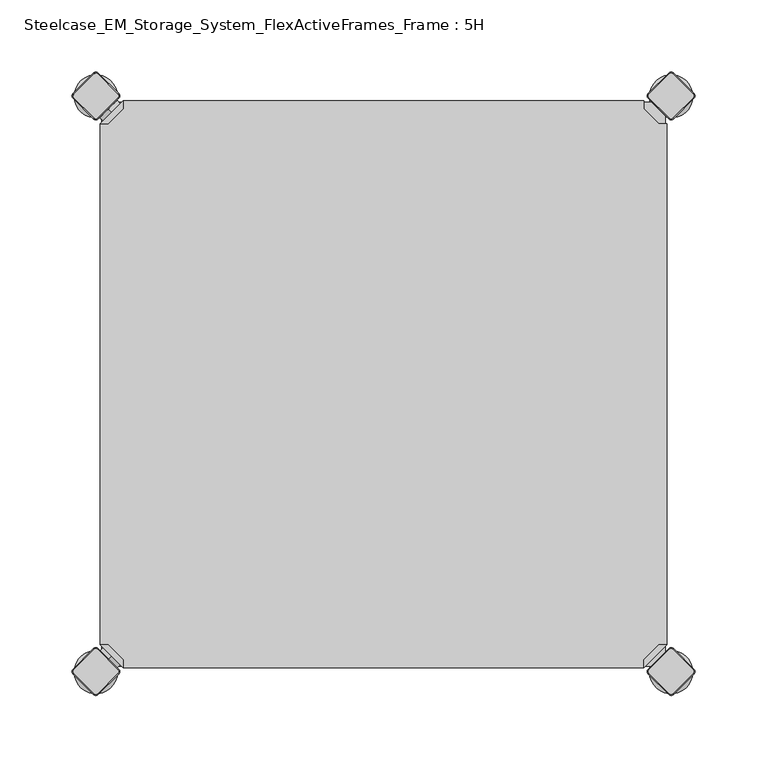
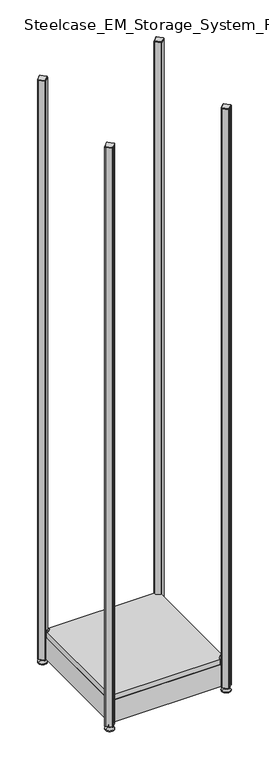
"""IFC4 building model written with IfcOpenShell, lengths in millimetres: furniture geometry, Steelcase_EM_Storage_System_FlexActiveFrames_Frame : 5H."""

from ifc_helpers import new_model, si_unit, point, frame, frame_2d, origin, place, context, project, spatial, polyline, circle_curve, trimmed, segment, composite_curve, outline, extrude, source, transform, mapped, element, save
from ifc_brep_helpers import plane_surface, cylinder_surface, revolved_surface, advanced_brep


def steelcase_em_storage_system_flexactiveframes_frame_5h_c53b9651(model_context):
    return source(origin(), model_context, "Body", "SolidModel", [
        advanced_brep(
        [(381.0796898, -397.0, 117.0), (397.0, -381.0796898, 117.0), (391.3431458, -381.0796898, 117.0), (381.0796898, -391.3431458, 117.0), (381.0796898, -397.0, 98.0), (381.0796898, -397.0, 97.0), (397.0, -381.0796898, 97.0), (397.0, -381.0796898, 98.0), (391.3431458, -381.0796898, 98.0), (381.0796898, -391.3431458, 98.0), (368.1906025, -352.2702923, 98.0), (352.2702923, -368.1906025, 98.0), (352.2702923, -368.1906025, 97.0), (368.1906025, -352.2702923, 97.0)],
        [
            (0, 1),
            (1, 2),
            (2, 3),
            (3, 0),
            (0, 4),
            (4, 5),
            (5, 6),
            (6, 7),
            (7, 1),
            (2, 8),
            (8, 9),
            (9, 3),
            (9, 4),
            (7, 8),
            (7, 10),
            (10, 11, circle_curve(frame((360.2304474, -360.2304474, 98.0), z_axis=(0.0, 0.0, 1.0), x_axis=(-1.0, 0.0, 0.0)), 11.2573593)),
            (11, 4),
            (5, 12),
            (12, 13, circle_curve(frame((360.2304474, -360.2304474, 97.0), z_axis=(0.0, 0.0, -1.0), x_axis=(-1.0, 0.0, 0.0)), 11.2573593)),
            (13, 6),
            (13, 10),
            (12, 11),
        ],
        [
            plane_surface(frame((438.8756299, -339.2040599, 117.0), z_axis=(0.0, 0.0, 1.0000000000000002), x_axis=(0.7071067811865511, 0.707106781186544, 0.0))),
            plane_surface(frame((381.0796898, -397.0, 117.0), z_axis=(0.707106781186544, -0.7071067811865511, 0.0), x_axis=(0.0, 0.0, -1.0))),
            plane_surface(frame((391.3431458, -381.0796898, 117.0), z_axis=(-0.7071067811865527, 0.7071067811865424, 0.0), x_axis=(0.0, 0.0, -1.0))),
            plane_surface(frame((381.0796898, -391.3431458, 117.0), z_axis=(-1.0, 0.0, 0.0), x_axis=(0.0, 0.0, -1.0))),
            plane_surface(frame((397.0, -381.0796898, 117.0), z_axis=(0.0, 1.0, 0.0), x_axis=(0.0, 0.0, -1.0))),
            plane_surface(frame((397.0, -381.0796898, 98.0), z_axis=(0.0, 0.0, 1.0), x_axis=(0.7071067811865439, 0.7071067811865511, 0.0))),
            plane_surface(frame((397.0, -381.0796898, 97.0), z_axis=(0.0, 0.0, -1.0), x_axis=(-0.7071067811865439, -0.7071067811865511, 0.0))),
            plane_surface(frame((397.0, -381.0796898, 98.0), z_axis=(0.7071067811865446, 0.7071067811865506, 0.0), x_axis=(0.0, 0.0, -1.0))),
            cylinder_surface(frame((360.2304474, -360.2304474, 97.0), z_axis=(0.0, 0.0, 1.0), x_axis=(-1.0, 0.0, 0.0)), 11.2573593),
            plane_surface(frame((352.2702923, -368.1906025, 98.0), z_axis=(-0.7071067811865435, -0.7071067811865517, 0.0), x_axis=(0.0, 0.0, -1.0))),
        ],
        [
            (0, [[1, 2, 3, 4]]),
            (1, [[-1, 5, 6, 7, 8, 9]]),
            (2, [[-3, 10, 11, 12]]),
            (3, [[-4, -12, 13, -5]]),
            (4, [[-2, -9, 14, -10]]),
            (5, [[15, 16, 17, -13, -11, -14]]),
            (6, [[18, 19, 20, -7]]),
            (7, [[-15, -8, -20, 21]]),
            (8, [[-16, -21, -19, 22]]),
            (9, [[-17, -22, -18, -6]]),
        ],
    ),
        advanced_brep(
        [(10.9601551, -389.0398449, 98.5), (10.9601551, -389.0398449, 107.0), (10.9601551, -389.0398449, 115.5), (8.8388348, -391.1611652, 98.5), (8.8388348, -391.1611652, 115.5), (8.8388348, -391.1611652, 107.0)],
        [
            (0, 1),
            (1, 2),
            (2, 0, circle_curve(frame((10.9601551, -389.0398449, 107.0), z_axis=(0.7071067811865509, 0.7071067811865441, 0.0), x_axis=(0.0, 0.0, 1.0)), 8.5)),
            (0, 2, circle_curve(frame((10.9601551, -389.0398449, 107.0), z_axis=(0.7071067811865509, 0.7071067811865441, 0.0), x_axis=(0.0, 0.0, 1.0)), 8.5)),
            (3, 0),
            (2, 4),
            (4, 3, circle_curve(frame((8.8388348, -391.1611652, 107.0), z_axis=(0.7071067811865509, 0.7071067811865441, 0.0), x_axis=(0.0, 0.0, 1.0)), 8.5)),
            (3, 4, circle_curve(frame((8.8388348, -391.1611652, 107.0), z_axis=(0.7071067811865509, 0.7071067811865441, 0.0), x_axis=(0.0, 0.0, 1.0)), 8.5)),
            (5, 3),
            (4, 5),
        ],
        [
            plane_surface(frame((10.9601551, -389.0398449, 107.0), z_axis=(0.7071067811865506, 0.7071067811865446, 0.0), x_axis=(0.0, 0.0, 1.0))),
            cylinder_surface(frame((8.8388348, -391.1611652, 107.0), z_axis=(-0.7071067811865509, -0.7071067811865441, 0.0), x_axis=(0.0, 0.0, 1.0)), 8.5),
            plane_surface(frame((8.8388348, -391.1611652, 107.0), z_axis=(-0.7071067811865506, -0.7071067811865446, 0.0), x_axis=(0.0, 0.0, 1.0))),
        ],
        [
            (0, [[1, 2, 3]]),
            (0, [[-2, -1, 4]]),
            (1, [[5, -3, 6, 7]]),
            (1, [[-6, -4, -5, 8]]),
            (2, [[9, -7, 10]]),
            (2, [[-10, -8, -9]]),
        ],
    ),
        advanced_brep(
        [(18.9203102, -397.0, 117.0), (18.9203102, -391.3431458, 117.0), (8.6568542, -381.0796898, 117.0), (3.0, -381.0796898, 117.0), (3.0, -381.0796898, 98.0), (3.0, -381.0796898, 97.0), (18.9203102, -397.0, 97.0), (18.9203102, -397.0, 98.0), (18.9203102, -391.3431458, 98.0), (8.6568542, -381.0796898, 98.0), (47.7297077, -368.1906025, 98.0), (31.8093975, -352.2702923, 98.0), (31.8093975, -352.2702923, 97.0), (47.7297077, -368.1906025, 97.0)],
        [
            (0, 1),
            (1, 2),
            (2, 3),
            (3, 0),
            (3, 4),
            (4, 5),
            (5, 6),
            (6, 7),
            (7, 0),
            (1, 8),
            (8, 9),
            (9, 2),
            (7, 8),
            (9, 4),
            (7, 10),
            (10, 11, circle_curve(frame((39.7695526, -360.2304474, 98.0), z_axis=(0.0, 0.0, 1.0), x_axis=(1.0, 0.0, 0.0)), 11.2573593)),
            (11, 4),
            (5, 12),
            (12, 13, circle_curve(frame((39.7695526, -360.2304474, 97.0), z_axis=(0.0, 0.0, -1.0), x_axis=(1.0, 0.0, 0.0)), 11.2573593)),
            (13, 6),
            (11, 12),
            (10, 13),
        ],
        [
            plane_surface(frame((-38.8756299, -339.2040599, 117.0), z_axis=(0.0, 0.0, 1.0000000000000002), x_axis=(-0.7071067811865511, 0.707106781186544, 0.0))),
            plane_surface(frame((18.9203102, -397.0, 117.0), z_axis=(-0.707106781186544, -0.7071067811865511, 0.0), x_axis=(0.0, 0.0, -1.0))),
            plane_surface(frame((8.6568542, -381.0796898, 117.0), z_axis=(0.7071067811865527, 0.7071067811865424, 0.0), x_axis=(0.0, 0.0, -1.0))),
            plane_surface(frame((18.9203102, -391.3431458, 117.0), z_axis=(1.0, 0.0, 0.0), x_axis=(0.0, 0.0, -1.0))),
            plane_surface(frame((3.0, -381.0796898, 117.0), z_axis=(0.0, 1.0, 0.0), x_axis=(0.0, 0.0, -1.0))),
            plane_surface(frame((3.0, -381.0796898, 98.0), z_axis=(0.0, 0.0, 1.0), x_axis=(-0.7071067811865439, 0.7071067811865511, 0.0))),
            plane_surface(frame((3.0, -381.0796898, 97.0), z_axis=(0.0, 0.0, -1.0), x_axis=(0.7071067811865439, -0.7071067811865511, 0.0))),
            plane_surface(frame((3.0, -381.0796898, 98.0), z_axis=(-0.7071067811865446, 0.7071067811865506, 0.0), x_axis=(0.0, 0.0, -1.0))),
            cylinder_surface(frame((39.7695526, -360.2304474, 97.0), z_axis=(0.0, 0.0, 1.0), x_axis=(1.0, 0.0, 0.0)), 11.2573593),
            plane_surface(frame((47.7297077, -368.1906025, 98.0), z_axis=(0.7071067811865435, -0.7071067811865517, 0.0), x_axis=(0.0, 0.0, -1.0))),
        ],
        [
            (0, [[1, 2, 3, 4]]),
            (1, [[5, 6, 7, 8, 9, -4]]),
            (2, [[10, 11, 12, -2]]),
            (3, [[-9, 13, -10, -1]]),
            (4, [[-12, 14, -5, -3]]),
            (5, [[-14, -11, -13, 15, 16, 17]]),
            (6, [[-7, 18, 19, 20]]),
            (7, [[21, -18, -6, -17]]),
            (8, [[22, -19, -21, -16]]),
            (9, [[-8, -20, -22, -15]]),
        ],
    ),
        advanced_brep(
        [(10.9601551, -10.9601551, 98.5), (10.9601551, -10.9601551, 115.5), (10.9601551, -10.9601551, 107.0), (8.8388348, -8.8388348, 98.5), (8.8388348, -8.8388348, 115.5), (8.8388348, -8.8388348, 107.0)],
        [
            (0, 1, circle_curve(frame((10.9601551, -10.9601551, 107.0), z_axis=(0.7071067811865464, -0.7071067811865487, 0.0), x_axis=(0.0, 0.0, 1.0)), 8.5)),
            (1, 2),
            (2, 0),
            (1, 0, circle_curve(frame((10.9601551, -10.9601551, 107.0), z_axis=(0.7071067811865464, -0.7071067811865487, 0.0), x_axis=(0.0, 0.0, 1.0)), 8.5)),
            (3, 4, circle_curve(frame((8.8388348, -8.8388348, 107.0), z_axis=(0.7071067811865464, -0.7071067811865487, 0.0), x_axis=(0.0, 0.0, 1.0)), 8.5)),
            (4, 1),
            (0, 3),
            (4, 3, circle_curve(frame((8.8388348, -8.8388348, 107.0), z_axis=(0.7071067811865464, -0.7071067811865487, 0.0), x_axis=(0.0, 0.0, 1.0)), 8.5)),
            (5, 4),
            (3, 5),
        ],
        [
            plane_surface(frame((10.9601551, -10.9601551, 107.0), z_axis=(0.707106781186546, -0.7071067811865491, 0.0), x_axis=(0.0, 0.0, 1.0))),
            cylinder_surface(frame((8.8388348, -8.8388348, 107.0), z_axis=(-0.7071067811865464, 0.7071067811865487, 0.0), x_axis=(0.0, 0.0, 1.0)), 8.5),
            plane_surface(frame((8.8388348, -8.8388348, 107.0), z_axis=(-0.707106781186546, 0.7071067811865491, 0.0), x_axis=(0.0, 0.0, 1.0))),
        ],
        [
            (0, [[1, 2, 3]]),
            (0, [[4, -3, -2]]),
            (1, [[5, 6, -1, 7]]),
            (1, [[8, -7, -4, -6]]),
            (2, [[9, -5, 10]]),
            (2, [[-10, -8, -9]]),
        ],
    ),
        advanced_brep(
        [(18.9203102, -3.0, 117.0), (3.0, -18.9203102, 117.0), (8.6568542, -18.9203102, 117.0), (18.9203102, -8.6568542, 117.0), (18.9203102, -3.0, 98.0), (18.9203102, -3.0, 97.0), (3.0, -18.9203102, 97.0), (3.0, -18.9203102, 98.0), (8.6568542, -18.9203102, 98.0), (18.9203102, -8.6568542, 98.0), (31.8093975, -47.7297077, 98.0), (47.7297077, -31.8093975, 98.0), (47.7297077, -31.8093975, 97.0), (31.8093975, -47.7297077, 97.0)],
        [
            (0, 1),
            (1, 2),
            (2, 3),
            (3, 0),
            (0, 4),
            (4, 5),
            (5, 6),
            (6, 7),
            (7, 1),
            (2, 8),
            (8, 9),
            (9, 3),
            (9, 4),
            (7, 8),
            (7, 10),
            (10, 11, circle_curve(frame((39.7695526, -39.7695526, 98.0), z_axis=(0.0, 0.0, 1.0), x_axis=(1.0, 0.0, 0.0)), 11.2573593)),
            (11, 4),
            (5, 12),
            (12, 13, circle_curve(frame((39.7695526, -39.7695526, 97.0), z_axis=(0.0, 0.0, -1.0), x_axis=(1.0, 0.0, 0.0)), 11.2573593)),
            (13, 6),
            (13, 10),
            (12, 11),
        ],
        [
            plane_surface(frame((-38.8756299, -60.7959401, 117.0), z_axis=(0.0, 0.0, 1.0000000000000002), x_axis=(-0.7071067811865557, -0.7071067811865395, 0.0))),
            plane_surface(frame((18.9203102, -3.0, 117.0), z_axis=(-0.7071067811865395, 0.7071067811865557, 0.0), x_axis=(0.0, 0.0, -1.0))),
            plane_surface(frame((8.6568542, -18.9203102, 117.0), z_axis=(0.7071067811865481, -0.7071067811865469, 0.0), x_axis=(0.0, 0.0, -1.0))),
            plane_surface(frame((18.9203102, -8.6568542, 117.0), z_axis=(1.0, 0.0, 0.0), x_axis=(0.0, 0.0, -1.0))),
            plane_surface(frame((3.0, -18.9203102, 117.0), z_axis=(0.0, -1.0, 0.0), x_axis=(0.0, 0.0, -1.0))),
            plane_surface(frame((3.0, -18.9203102, 98.0), z_axis=(0.0, 0.0, 1.0), x_axis=(-0.7071067811865485, -0.7071067811865466, 0.0))),
            plane_surface(frame((3.0, -18.9203102, 97.0), z_axis=(0.0, 0.0, -1.0), x_axis=(0.7071067811865485, 0.7071067811865466, 0.0))),
            plane_surface(frame((3.0, -18.9203102, 98.0), z_axis=(-0.7071067811865491, -0.707106781186546, 0.0), x_axis=(0.0, 0.0, -1.0))),
            cylinder_surface(frame((39.7695526, -39.7695526, 97.0), z_axis=(0.0, 0.0, 1.0), x_axis=(1.0, 0.0, 0.0)), 11.2573593),
            plane_surface(frame((47.7297077, -31.8093975, 98.0), z_axis=(0.707106781186548, 0.7071067811865471, 0.0), x_axis=(0.0, 0.0, -1.0))),
        ],
        [
            (0, [[1, 2, 3, 4]]),
            (1, [[-1, 5, 6, 7, 8, 9]]),
            (2, [[-3, 10, 11, 12]]),
            (3, [[-4, -12, 13, -5]]),
            (4, [[-2, -9, 14, -10]]),
            (5, [[15, 16, 17, -13, -11, -14]]),
            (6, [[18, 19, 20, -7]]),
            (7, [[-15, -8, -20, 21]]),
            (8, [[-16, -21, -19, 22]]),
            (9, [[-17, -22, -18, -6]]),
        ],
    ),
        extrude(outline(polyline([(381.0796898, -3.0), (381.0796898, -8.6568542), (391.3431458, -18.9203102), (397.0, -18.9203102), (397.0, -381.0796898), (391.3431458, -381.0796898), (381.0796898, -391.3431458), (381.0796898, -397.0), (18.9203102, -397.0), (18.9203102, -391.3431458), (8.6568542, -381.0796898), (3.0, -381.0796898), (3.0, -18.9203102), (8.6568542, -18.9203102), (18.9203102, -8.6568542), (18.9203102, -3.0), (381.0796898, -3.0)])), frame((0.0, 0.0, 98.0), z_axis=(0.0, 0.0, 1.0), x_axis=(1.0, 0.0, 0.0)), (0.0, 0.0, 1.0), 19.0),
        advanced_brep(
        [(385.0, -400.0, 0.0), (415.0, -400.0, 0.0), (400.0, -400.0, 0.0), (385.0, -400.0, 2.0), (415.0, -400.0, 2.0), (392.0, -400.0, 9.0), (408.0, -400.0, 9.0), (396.0, -400.0, 9.0), (404.0, -400.0, 9.0), (396.0, -400.0, 15.0), (404.0, -400.0, 15.0), (400.0, -400.0, 15.0)],
        [
            (0, 1, circle_curve(frame((400.0, -400.0, 0.0), z_axis=(0.0, 0.0, -1.0), x_axis=(1.0, 0.0, 0.0)), 15.0)),
            (1, 2),
            (2, 0),
            (1, 0, circle_curve(frame((400.0, -400.0, 0.0), z_axis=(0.0, 0.0, -1.0), x_axis=(1.0, 0.0, 0.0)), 15.0)),
            (3, 4, circle_curve(frame((400.0, -400.0, 2.0), z_axis=(0.0, 0.0, -1.0), x_axis=(1.0, 0.0, 0.0)), 15.0)),
            (4, 1),
            (0, 3),
            (4, 3, circle_curve(frame((400.0, -400.0, 2.0), z_axis=(0.0, 0.0, -1.0), x_axis=(1.0, 0.0, 0.0)), 15.0)),
            (5, 6, circle_curve(frame((400.0, -400.0, 9.0), z_axis=(0.0, 0.0, -1.0), x_axis=(1.0, 0.0, 0.0)), 8.0)),
            (6, 4),
            (3, 5),
            (6, 5, circle_curve(frame((400.0, -400.0, 9.0), z_axis=(0.0, 0.0, -1.0), x_axis=(1.0, 0.0, 0.0)), 8.0)),
            (7, 8, circle_curve(frame((400.0, -400.0, 9.0), z_axis=(0.0, 0.0, -1.0), x_axis=(1.0, 0.0, 0.0)), 4.0)),
            (8, 6),
            (5, 7),
            (8, 7, circle_curve(frame((400.0, -400.0, 9.0), z_axis=(0.0, 0.0, -1.0), x_axis=(1.0, 0.0, 0.0)), 4.0)),
            (9, 10, circle_curve(frame((400.0, -400.0, 15.0), z_axis=(0.0, 0.0, -1.0), x_axis=(1.0, 0.0, 0.0)), 4.0)),
            (10, 8),
            (7, 9),
            (10, 9, circle_curve(frame((400.0, -400.0, 15.0), z_axis=(0.0, 0.0, -1.0), x_axis=(1.0, 0.0, 0.0)), 4.0)),
            (11, 10),
            (9, 11),
        ],
        [
            plane_surface(frame((400.0, -400.0, 0.0), z_axis=(0.0, 0.0, -1.0), x_axis=(1.0, 0.0, 0.0))),
            cylinder_surface(frame((400.0, -400.0, 18.6083303), z_axis=(0.0, 0.0, 1.0), x_axis=(1.0, 0.0, 0.0)), 15.0),
            revolved_surface(polyline([(415.0, -400.0, 2.0), (408.0, -400.0, 9.0)]), (400.0, -400.0, 18.6083303), (0.0, 0.0, 1.0)),
            plane_surface(frame((400.0, -400.0, 9.0), z_axis=(0.0, 0.0, 1.0), x_axis=(1.0, 0.0, 0.0))),
            cylinder_surface(frame((400.0, -400.0, 18.6083303), z_axis=(0.0, 0.0, 1.0), x_axis=(1.0, 0.0, 0.0)), 4.0),
            plane_surface(frame((400.0, -400.0, 15.0), z_axis=(0.0, 0.0, 1.0), x_axis=(1.0, 0.0, 0.0))),
        ],
        [
            (0, [[1, 2, 3]]),
            (0, [[4, -3, -2]]),
            (1, [[5, 6, -1, 7]]),
            (1, [[8, -7, -4, -6]]),
            (2, [[9, 10, -5, 11]]),
            (2, [[12, -11, -8, -10]]),
            (3, [[13, 14, -9, 15]]),
            (3, [[16, -15, -12, -14]]),
            (4, [[17, 18, -13, 19]]),
            (4, [[20, -19, -16, -18]]),
            (5, [[21, -17, 22]]),
            (5, [[-22, -20, -21]]),
        ],
    ),
        advanced_brep(
        [(398.7979185, -384.6557828, 2117.0), (384.6557828, -398.7979185, 2117.0), (384.6557828, -401.2020815, 2117.0), (398.7979185, -415.3442172, 2117.0), (401.2020815, -415.3442172, 2117.0), (415.3442172, -401.2020815, 2117.0), (415.3442172, -398.7979185, 2117.0), (401.2020815, -384.6557828, 2117.0), (398.232233, -384.0900974, 2115.0), (401.767767, -384.0900974, 2115.0), (415.9099026, -398.232233, 2115.0), (415.9099026, -401.767767, 2115.0), (401.767767, -415.9099026, 2115.0), (398.232233, -415.9099026, 2115.0), (384.0900974, -401.767767, 2115.0), (384.0900974, -398.232233, 2115.0)],
        [
            (0, 1),
            (1, 2, circle_curve(frame((385.8578644, -400.0, 2117.0), z_axis=(0.0, 0.0, 1.0), x_axis=(-0.7071067811865537, 0.7071067811865414, 0.0)), 1.7)),
            (2, 3),
            (3, 4, circle_curve(frame((400.0, -414.1421356, 2117.0), z_axis=(0.0, 0.0, 1.0), x_axis=(-0.7071067811865491, -0.707106781186546, 0.0)), 1.7)),
            (4, 5),
            (5, 6, circle_curve(frame((414.1421356, -400.0, 2117.0), z_axis=(0.0, 0.0, 1.0), x_axis=(0.707106781186539, -0.7071067811865559, 0.0)), 1.7)),
            (6, 7),
            (7, 0, circle_curve(frame((400.0, -385.8578644, 2117.0), z_axis=(0.0, 0.0, 1.0), x_axis=(0.7071067811865458, 0.7071067811865492, 0.0)), 1.7)),
            (8, 9, circle_curve(frame((400.0, -385.8578644, 2115.0), z_axis=(0.0, 0.0, -1.0), x_axis=(0.7071067811865458, 0.7071067811865492, 0.0)), 2.5)),
            (9, 10),
            (10, 11, circle_curve(frame((414.1421356, -400.0, 2115.0), z_axis=(0.0, 0.0, -1.0), x_axis=(0.707106781186539, -0.7071067811865559, 0.0)), 2.5)),
            (11, 12),
            (12, 13, circle_curve(frame((400.0, -414.1421356, 2115.0), z_axis=(0.0, 0.0, -1.0), x_axis=(-0.7071067811865491, -0.707106781186546, 0.0)), 2.5)),
            (13, 14),
            (14, 15, circle_curve(frame((385.8578644, -400.0, 2115.0), z_axis=(0.0, 0.0, -1.0), x_axis=(-0.7071067811865537, 0.7071067811865414, 0.0)), 2.5)),
            (15, 8),
            (15, 1),
            (0, 8),
            (14, 2),
            (13, 3),
            (12, 4),
            (11, 5),
            (10, 6),
            (9, 7),
        ],
        [
            plane_surface(frame((400.0, -400.0, 2117.0), z_axis=(0.0, 0.0, 1.0), x_axis=(-0.7071067811865486, 0.7071067811865466, 0.0))),
            plane_surface(frame((400.0, -400.0, 2115.0), z_axis=(0.0, 0.0, -1.0), x_axis=(-0.7071067811865486, 0.7071067811865466, 0.0))),
            plane_surface(frame((391.1611652, -391.1611652, 2115.0), z_axis=(-0.6565321642986406, 0.656532164298628, 0.3713906763540281), x_axis=(-0.7071067811865408, -0.7071067811865543, 0.0))),
            revolved_surface(polyline([(384.65578284, -398.79791844, 2117.0), (384.0900974, -398.232233, 2115.0)]), (385.8578644, -400.0, 2121.25), (0.0, 0.0, -1.0)),
            plane_surface(frame((391.1611652, -408.8388348, 2115.0), z_axis=(-0.6565321642986325, -0.6565321642986414, 0.3713906763540188), x_axis=(0.7071067811865523, -0.7071067811865428, 0.0))),
            revolved_surface(polyline([(398.79791844, -415.34421716, 2117.0), (398.232233, -415.9099026, 2115.0)]), (400.0, -414.1421356, 2121.25), (0.0, 0.0, -1.0)),
            plane_surface(frame((408.8388348, -408.8388348, 2115.0), z_axis=(0.6565321642986457, -0.6565321642986508, 0.3713906763539787), x_axis=(0.7071067811865541, 0.707106781186541, 0.0))),
            revolved_surface(polyline([(415.34421716, -401.20208156, 2117.0), (415.9099026, -401.767767, 2115.0)]), (414.1421356, -400.0, 2121.25), (0.0, 0.0, -1.0)),
            plane_surface(frame((408.8388348, -391.1611652, 2115.0), z_axis=(0.656532164298657, 0.6565321642986371, 0.37139067635398293), x_axis=(-0.7071067811865407, 0.7071067811865545, 0.0))),
            revolved_surface(polyline([(401.20208156, -384.65578284, 2117.0), (401.767767, -384.0900974, 2115.0)]), (400.0, -385.8578644, 2121.25), (0.0, 0.0, -1.0)),
        ],
        [
            (0, [[1, 2, 3, 4, 5, 6, 7, 8]]),
            (1, [[9, 10, 11, 12, 13, 14, 15, 16]]),
            (2, [[-16, 17, -1, 18]]),
            (3, [[-15, 19, -2, -17]]),
            (4, [[-14, 20, -3, -19]]),
            (5, [[-13, 21, -4, -20]]),
            (6, [[-12, 22, -5, -21]]),
            (7, [[-11, 23, -6, -22]]),
            (8, [[-10, 24, -7, -23]]),
            (9, [[-9, -18, -8, -24]]),
        ],
    ),
        extrude(outline(composite_curve([segment(trimmed(circle_curve(frame_2d((414.1421356, -400.0)), 2.5), [point((415.9099026, -398.232233))], [point((415.9099026, -401.767767))], False, "CARTESIAN"), True, "CONTINUOUS"), segment(polyline([(415.9099026, -401.767767), (401.767767, -415.9099026)]), True, "CONTINUOUS"), segment(trimmed(circle_curve(frame_2d((400.0, -414.1421356)), 2.5), [point((401.767767, -415.9099026))], [point((398.232233, -415.9099026))], False, "CARTESIAN"), True, "CONTINUOUS"), segment(polyline([(398.232233, -415.9099026), (384.0900974, -401.767767)]), True, "CONTINUOUS"), segment(trimmed(circle_curve(frame_2d((385.8578644, -400.0)), 2.5), [point((384.0900974, -401.767767))], [point((384.0900974, -398.232233))], False, "CARTESIAN"), True, "CONTINUOUS"), segment(polyline([(384.0900974, -398.232233), (398.232233, -384.0900974)]), True, "CONTINUOUS"), segment(trimmed(circle_curve(frame_2d((400.0, -385.8578644)), 2.5), [point((398.232233, -384.0900974))], [point((401.767767, -384.0900974))], False, "CARTESIAN"), True, "CONTINUOUS"), segment(polyline([(401.767767, -384.0900974), (415.9099026, -398.232233)]), True, "CONTINUOUS")], self_intersect=False)), frame((0.0, 0.0, 15.0), z_axis=(0.0, 0.0, 1.0), x_axis=(1.0, 0.0, 0.0)), (0.0, 0.0, 1.0), 2100.0),
        advanced_brep(
        [(385.0, 0.0, 0.0), (415.0, 0.0, 0.0), (400.0, 0.0, 0.0), (385.0, 0.0, 2.0), (415.0, 0.0, 2.0), (392.0, 0.0, 9.0), (408.0, 0.0, 9.0), (396.0, 0.0, 9.0), (404.0, 0.0, 9.0), (396.0, 0.0, 15.0), (404.0, 0.0, 15.0), (400.0, 0.0, 15.0)],
        [
            (0, 1, circle_curve(frame((400.0, 0.0, 0.0), z_axis=(0.0, 0.0, -1.0), x_axis=(1.0, 0.0, 0.0)), 15.0)),
            (1, 2),
            (2, 0),
            (1, 0, circle_curve(frame((400.0, 0.0, 0.0), z_axis=(0.0, 0.0, -1.0), x_axis=(1.0, 0.0, 0.0)), 15.0)),
            (3, 4, circle_curve(frame((400.0, 0.0, 2.0), z_axis=(0.0, 0.0, -1.0), x_axis=(1.0, 0.0, 0.0)), 15.0)),
            (4, 1),
            (0, 3),
            (4, 3, circle_curve(frame((400.0, 0.0, 2.0), z_axis=(0.0, 0.0, -1.0), x_axis=(1.0, 0.0, 0.0)), 15.0)),
            (5, 6, circle_curve(frame((400.0, 0.0, 9.0), z_axis=(0.0, 0.0, -1.0), x_axis=(1.0, 0.0, 0.0)), 8.0)),
            (6, 4),
            (3, 5),
            (6, 5, circle_curve(frame((400.0, 0.0, 9.0), z_axis=(0.0, 0.0, -1.0), x_axis=(1.0, 0.0, 0.0)), 8.0)),
            (7, 8, circle_curve(frame((400.0, 0.0, 9.0), z_axis=(0.0, 0.0, -1.0), x_axis=(1.0, 0.0, 0.0)), 4.0)),
            (8, 6),
            (5, 7),
            (8, 7, circle_curve(frame((400.0, 0.0, 9.0), z_axis=(0.0, 0.0, -1.0), x_axis=(1.0, 0.0, 0.0)), 4.0)),
            (9, 10, circle_curve(frame((400.0, 0.0, 15.0), z_axis=(0.0, 0.0, -1.0), x_axis=(1.0, 0.0, 0.0)), 4.0)),
            (10, 8),
            (7, 9),
            (10, 9, circle_curve(frame((400.0, 0.0, 15.0), z_axis=(0.0, 0.0, -1.0), x_axis=(1.0, 0.0, 0.0)), 4.0)),
            (11, 10),
            (9, 11),
        ],
        [
            plane_surface(frame((400.0, 0.0, 0.0), z_axis=(0.0, 0.0, -1.0), x_axis=(1.0, 0.0, 0.0))),
            cylinder_surface(frame((400.0, 0.0, 18.6083303), z_axis=(0.0, 0.0, 1.0), x_axis=(1.0, 0.0, 0.0)), 15.0),
            revolved_surface(polyline([(415.0, 0.0, 2.0), (408.0, 0.0, 9.0)]), (400.0, 0.0, 18.6083303), (0.0, 0.0, 1.0)),
            plane_surface(frame((400.0, 0.0, 9.0), z_axis=(0.0, 0.0, 1.0), x_axis=(1.0, 0.0, 0.0))),
            cylinder_surface(frame((400.0, 0.0, 18.6083303), z_axis=(0.0, 0.0, 1.0), x_axis=(1.0, 0.0, 0.0)), 4.0),
            plane_surface(frame((400.0, 0.0, 15.0), z_axis=(0.0, 0.0, 1.0), x_axis=(1.0, 0.0, 0.0))),
        ],
        [
            (0, [[1, 2, 3]]),
            (0, [[4, -3, -2]]),
            (1, [[5, 6, -1, 7]]),
            (1, [[8, -7, -4, -6]]),
            (2, [[9, 10, -5, 11]]),
            (2, [[12, -11, -8, -10]]),
            (3, [[13, 14, -9, 15]]),
            (3, [[16, -15, -12, -14]]),
            (4, [[17, 18, -13, 19]]),
            (4, [[20, -19, -16, -18]]),
            (5, [[21, -17, 22]]),
            (5, [[-22, -20, -21]]),
        ],
    ),
        advanced_brep(
        [(398.7979185, 15.3442172, 2117.0), (384.6557828, 1.2020815, 2117.0), (384.6557828, -1.2020815, 2117.0), (398.7979185, -15.3442172, 2117.0), (401.2020815, -15.3442172, 2117.0), (415.3442172, -1.2020815, 2117.0), (415.3442172, 1.2020815, 2117.0), (401.2020815, 15.3442172, 2117.0), (398.232233, 15.9099026, 2115.0), (401.767767, 15.9099026, 2115.0), (415.9099026, 1.767767, 2115.0), (415.9099026, -1.767767, 2115.0), (401.767767, -15.9099026, 2115.0), (398.232233, -15.9099026, 2115.0), (384.0900974, -1.767767, 2115.0), (384.0900974, 1.767767, 2115.0)],
        [
            (0, 1),
            (1, 2, circle_curve(frame((385.8578644, 0.0, 2117.0), z_axis=(0.0, 0.0, 1.0), x_axis=(-0.7071067811865537, 0.7071067811865414, 0.0)), 1.7)),
            (2, 3),
            (3, 4, circle_curve(frame((400.0, -14.1421356, 2117.0), z_axis=(0.0, 0.0, 1.0), x_axis=(-0.7071067811865491, -0.707106781186546, 0.0)), 1.7)),
            (4, 5),
            (5, 6, circle_curve(frame((414.1421356, 0.0, 2117.0), z_axis=(0.0, 0.0, 1.0), x_axis=(0.707106781186539, -0.7071067811865559, 0.0)), 1.7)),
            (6, 7),
            (7, 0, circle_curve(frame((400.0, 14.1421356, 2117.0), z_axis=(0.0, 0.0, 1.0), x_axis=(0.7071067811865458, 0.7071067811865492, 0.0)), 1.7)),
            (8, 9, circle_curve(frame((400.0, 14.1421356, 2115.0), z_axis=(0.0, 0.0, -1.0), x_axis=(0.7071067811865458, 0.7071067811865492, 0.0)), 2.5)),
            (9, 10),
            (10, 11, circle_curve(frame((414.1421356, 0.0, 2115.0), z_axis=(0.0, 0.0, -1.0), x_axis=(0.707106781186539, -0.7071067811865559, 0.0)), 2.5)),
            (11, 12),
            (12, 13, circle_curve(frame((400.0, -14.1421356, 2115.0), z_axis=(0.0, 0.0, -1.0), x_axis=(-0.7071067811865491, -0.707106781186546, 0.0)), 2.5)),
            (13, 14),
            (14, 15, circle_curve(frame((385.8578644, 0.0, 2115.0), z_axis=(0.0, 0.0, -1.0), x_axis=(-0.7071067811865537, 0.7071067811865414, 0.0)), 2.5)),
            (15, 8),
            (15, 1),
            (0, 8),
            (14, 2),
            (13, 3),
            (12, 4),
            (11, 5),
            (10, 6),
            (9, 7),
        ],
        [
            plane_surface(frame((400.0, 0.0, 2117.0), z_axis=(0.0, 0.0, 1.0), x_axis=(-0.7071067811865486, 0.7071067811865466, 0.0))),
            plane_surface(frame((400.0, 0.0, 2115.0), z_axis=(0.0, 0.0, -1.0), x_axis=(-0.7071067811865486, 0.7071067811865466, 0.0))),
            plane_surface(frame((391.1611652, 8.8388348, 2115.0), z_axis=(-0.6565321642986406, 0.656532164298628, 0.3713906763540281), x_axis=(-0.7071067811865408, -0.7071067811865543, 0.0))),
            revolved_surface(polyline([(384.65578284, 1.20208156, 2117.0), (384.0900974, 1.767767, 2115.0)]), (385.8578644, 0.0, 2121.25), (0.0, 0.0, -1.0)),
            plane_surface(frame((391.1611652, -8.8388348, 2115.0), z_axis=(-0.6565321642986325, -0.6565321642986414, 0.3713906763540188), x_axis=(0.7071067811865523, -0.7071067811865428, 0.0))),
            revolved_surface(polyline([(398.79791844, -15.34421716, 2117.0), (398.232233, -15.9099026, 2115.0)]), (400.0, -14.1421356, 2121.25), (0.0, 0.0, -1.0)),
            plane_surface(frame((408.8388348, -8.8388348, 2115.0), z_axis=(0.6565321642986457, -0.6565321642986508, 0.3713906763539787), x_axis=(0.7071067811865541, 0.707106781186541, 0.0))),
            revolved_surface(polyline([(415.34421716, -1.20208156, 2117.0), (415.9099026, -1.767767, 2115.0)]), (414.1421356, 0.0, 2121.25), (0.0, 0.0, -1.0)),
            plane_surface(frame((408.8388348, 8.8388348, 2115.0), z_axis=(0.656532164298657, 0.6565321642986371, 0.37139067635398293), x_axis=(-0.7071067811865407, 0.7071067811865545, 0.0))),
            revolved_surface(polyline([(401.20208156, 15.34421716, 2117.0), (401.767767, 15.9099026, 2115.0)]), (400.0, 14.1421356, 2121.25), (0.0, 0.0, -1.0)),
        ],
        [
            (0, [[1, 2, 3, 4, 5, 6, 7, 8]]),
            (1, [[9, 10, 11, 12, 13, 14, 15, 16]]),
            (2, [[-16, 17, -1, 18]]),
            (3, [[-15, 19, -2, -17]]),
            (4, [[-14, 20, -3, -19]]),
            (5, [[-13, 21, -4, -20]]),
            (6, [[-12, 22, -5, -21]]),
            (7, [[-11, 23, -6, -22]]),
            (8, [[-10, 24, -7, -23]]),
            (9, [[-9, -18, -8, -24]]),
        ],
    ),
        extrude(outline(composite_curve([segment(trimmed(circle_curve(frame_2d((414.1421356, 0.0)), 2.5), [point((415.9099026, 1.767767))], [point((415.9099026, -1.767767))], False, "CARTESIAN"), True, "CONTINUOUS"), segment(polyline([(415.9099026, -1.767767), (401.767767, -15.9099026)]), True, "CONTINUOUS"), segment(trimmed(circle_curve(frame_2d((400.0, -14.1421356)), 2.5), [point((401.767767, -15.9099026))], [point((398.232233, -15.9099026))], False, "CARTESIAN"), True, "CONTINUOUS"), segment(polyline([(398.232233, -15.9099026), (384.0900974, -1.767767)]), True, "CONTINUOUS"), segment(trimmed(circle_curve(frame_2d((385.8578644, 0.0)), 2.5), [point((384.0900974, -1.767767))], [point((384.0900974, 1.767767))], False, "CARTESIAN"), True, "CONTINUOUS"), segment(polyline([(384.0900974, 1.767767), (398.232233, 15.9099026)]), True, "CONTINUOUS"), segment(trimmed(circle_curve(frame_2d((400.0, 14.1421356)), 2.5), [point((398.232233, 15.9099026))], [point((401.767767, 15.9099026))], False, "CARTESIAN"), True, "CONTINUOUS"), segment(polyline([(401.767767, 15.9099026), (415.9099026, 1.767767)]), True, "CONTINUOUS")], self_intersect=False)), frame((0.0, 0.0, 15.0), z_axis=(0.0, 0.0, 1.0), x_axis=(1.0, 0.0, 0.0)), (0.0, 0.0, 1.0), 2100.0),
        advanced_brep(
        [(-15.0, -400.0, 0.0), (15.0, -400.0, 0.0), (0.0, -400.0, 0.0), (-15.0, -400.0, 2.0), (15.0, -400.0, 2.0), (-8.0, -400.0, 9.0), (8.0, -400.0, 9.0), (-4.0, -400.0, 9.0), (4.0, -400.0, 9.0), (-4.0, -400.0, 15.0), (4.0, -400.0, 15.0), (0.0, -400.0, 15.0)],
        [
            (0, 1, circle_curve(frame((0.0, -400.0, 0.0), z_axis=(0.0, 0.0, -1.0), x_axis=(1.0, 0.0, 0.0)), 15.0)),
            (1, 2),
            (2, 0),
            (1, 0, circle_curve(frame((0.0, -400.0, 0.0), z_axis=(0.0, 0.0, -1.0), x_axis=(1.0, 0.0, 0.0)), 15.0)),
            (3, 4, circle_curve(frame((0.0, -400.0, 2.0), z_axis=(0.0, 0.0, -1.0), x_axis=(1.0, 0.0, 0.0)), 15.0)),
            (4, 1),
            (0, 3),
            (4, 3, circle_curve(frame((0.0, -400.0, 2.0), z_axis=(0.0, 0.0, -1.0), x_axis=(1.0, 0.0, 0.0)), 15.0)),
            (5, 6, circle_curve(frame((0.0, -400.0, 9.0), z_axis=(0.0, 0.0, -1.0), x_axis=(1.0, 0.0, 0.0)), 8.0)),
            (6, 4),
            (3, 5),
            (6, 5, circle_curve(frame((0.0, -400.0, 9.0), z_axis=(0.0, 0.0, -1.0), x_axis=(1.0, 0.0, 0.0)), 8.0)),
            (7, 8, circle_curve(frame((0.0, -400.0, 9.0), z_axis=(0.0, 0.0, -1.0), x_axis=(1.0, 0.0, 0.0)), 4.0)),
            (8, 6),
            (5, 7),
            (8, 7, circle_curve(frame((0.0, -400.0, 9.0), z_axis=(0.0, 0.0, -1.0), x_axis=(1.0, 0.0, 0.0)), 4.0)),
            (9, 10, circle_curve(frame((0.0, -400.0, 15.0), z_axis=(0.0, 0.0, -1.0), x_axis=(1.0, 0.0, 0.0)), 4.0)),
            (10, 8),
            (7, 9),
            (10, 9, circle_curve(frame((0.0, -400.0, 15.0), z_axis=(0.0, 0.0, -1.0), x_axis=(1.0, 0.0, 0.0)), 4.0)),
            (11, 10),
            (9, 11),
        ],
        [
            plane_surface(frame((0.0, -400.0, 0.0), z_axis=(0.0, 0.0, -1.0), x_axis=(1.0, 0.0, 0.0))),
            cylinder_surface(frame((0.0, -400.0, 18.6083303), z_axis=(0.0, 0.0, 1.0), x_axis=(1.0, 0.0, 0.0)), 15.0),
            revolved_surface(polyline([(15.0, -400.0, 2.0), (8.0, -400.0, 9.0)]), (0.0, -400.0, 18.6083303), (0.0, 0.0, 1.0)),
            plane_surface(frame((0.0, -400.0, 9.0), z_axis=(0.0, 0.0, 1.0), x_axis=(1.0, 0.0, 0.0))),
            cylinder_surface(frame((0.0, -400.0, 18.6083303), z_axis=(0.0, 0.0, 1.0), x_axis=(1.0, 0.0, 0.0)), 4.0),
            plane_surface(frame((0.0, -400.0, 15.0), z_axis=(0.0, 0.0, 1.0), x_axis=(1.0, 0.0, 0.0))),
        ],
        [
            (0, [[1, 2, 3]]),
            (0, [[4, -3, -2]]),
            (1, [[5, 6, -1, 7]]),
            (1, [[8, -7, -4, -6]]),
            (2, [[9, 10, -5, 11]]),
            (2, [[12, -11, -8, -10]]),
            (3, [[13, 14, -9, 15]]),
            (3, [[16, -15, -12, -14]]),
            (4, [[17, 18, -13, 19]]),
            (4, [[20, -19, -16, -18]]),
            (5, [[21, -17, 22]]),
            (5, [[-22, -20, -21]]),
        ],
    ),
        advanced_brep(
        [(-1.2020815, -384.6557828, 2117.0), (-15.3442172, -398.7979185, 2117.0), (-15.3442172, -401.2020815, 2117.0), (-1.2020815, -415.3442172, 2117.0), (1.2020815, -415.3442172, 2117.0), (15.3442172, -401.2020815, 2117.0), (15.3442172, -398.7979185, 2117.0), (1.2020815, -384.6557828, 2117.0), (-1.767767, -384.0900974, 2115.0), (1.767767, -384.0900974, 2115.0), (15.9099026, -398.232233, 2115.0), (15.9099026, -401.767767, 2115.0), (1.767767, -415.9099026, 2115.0), (-1.767767, -415.9099026, 2115.0), (-15.9099026, -401.767767, 2115.0), (-15.9099026, -398.232233, 2115.0)],
        [
            (0, 1),
            (1, 2, circle_curve(frame((-14.1421356, -400.0, 2117.0), z_axis=(0.0, 0.0, 1.0), x_axis=(-0.7071067811865537, 0.7071067811865414, 0.0)), 1.7)),
            (2, 3),
            (3, 4, circle_curve(frame((0.0, -414.1421356, 2117.0), z_axis=(0.0, 0.0, 1.0), x_axis=(-0.7071067811865491, -0.707106781186546, 0.0)), 1.7)),
            (4, 5),
            (5, 6, circle_curve(frame((14.1421356, -400.0, 2117.0), z_axis=(0.0, 0.0, 1.0), x_axis=(0.707106781186539, -0.7071067811865559, 0.0)), 1.7)),
            (6, 7),
            (7, 0, circle_curve(frame((0.0, -385.8578644, 2117.0), z_axis=(0.0, 0.0, 1.0), x_axis=(0.7071067811865458, 0.7071067811865492, 0.0)), 1.7)),
            (8, 9, circle_curve(frame((0.0, -385.8578644, 2115.0), z_axis=(0.0, 0.0, -1.0), x_axis=(0.7071067811865458, 0.7071067811865492, 0.0)), 2.5)),
            (9, 10),
            (10, 11, circle_curve(frame((14.1421356, -400.0, 2115.0), z_axis=(0.0, 0.0, -1.0), x_axis=(0.707106781186539, -0.7071067811865559, 0.0)), 2.5)),
            (11, 12),
            (12, 13, circle_curve(frame((0.0, -414.1421356, 2115.0), z_axis=(0.0, 0.0, -1.0), x_axis=(-0.7071067811865491, -0.707106781186546, 0.0)), 2.5)),
            (13, 14),
            (14, 15, circle_curve(frame((-14.1421356, -400.0, 2115.0), z_axis=(0.0, 0.0, -1.0), x_axis=(-0.7071067811865537, 0.7071067811865414, 0.0)), 2.5)),
            (15, 8),
            (15, 1),
            (0, 8),
            (14, 2),
            (13, 3),
            (12, 4),
            (11, 5),
            (10, 6),
            (9, 7),
        ],
        [
            plane_surface(frame((0.0, -400.0, 2117.0), z_axis=(0.0, 0.0, 1.0), x_axis=(-0.7071067811865486, 0.7071067811865466, 0.0))),
            plane_surface(frame((0.0, -400.0, 2115.0), z_axis=(0.0, 0.0, -1.0), x_axis=(-0.7071067811865486, 0.7071067811865466, 0.0))),
            plane_surface(frame((-8.8388348, -391.1611652, 2115.0), z_axis=(-0.6565321642986406, 0.656532164298628, 0.3713906763540281), x_axis=(-0.7071067811865408, -0.7071067811865543, 0.0))),
            revolved_surface(polyline([(-15.34421716, -398.79791844, 2117.0), (-15.9099026, -398.232233, 2115.0)]), (-14.1421356, -400.0, 2121.25), (0.0, 0.0, -1.0)),
            plane_surface(frame((-8.8388348, -408.8388348, 2115.0), z_axis=(-0.6565321642986325, -0.6565321642986414, 0.3713906763540188), x_axis=(0.7071067811865523, -0.7071067811865428, 0.0))),
            revolved_surface(polyline([(-1.20208156, -415.34421716, 2117.0), (-1.767767, -415.9099026, 2115.0)]), (0.0, -414.1421356, 2121.25), (0.0, 0.0, -1.0)),
            plane_surface(frame((8.8388348, -408.8388348, 2115.0), z_axis=(0.6565321642986457, -0.6565321642986508, 0.3713906763539787), x_axis=(0.7071067811865541, 0.707106781186541, 0.0))),
            revolved_surface(polyline([(15.34421716, -401.20208156, 2117.0), (15.9099026, -401.767767, 2115.0)]), (14.1421356, -400.0, 2121.25), (0.0, 0.0, -1.0)),
            plane_surface(frame((8.8388348, -391.1611652, 2115.0), z_axis=(0.656532164298657, 0.6565321642986371, 0.37139067635398293), x_axis=(-0.7071067811865407, 0.7071067811865545, 0.0))),
            revolved_surface(polyline([(1.20208156, -384.65578284, 2117.0), (1.767767, -384.0900974, 2115.0)]), (0.0, -385.8578644, 2121.25), (0.0, 0.0, -1.0)),
        ],
        [
            (0, [[1, 2, 3, 4, 5, 6, 7, 8]]),
            (1, [[9, 10, 11, 12, 13, 14, 15, 16]]),
            (2, [[-16, 17, -1, 18]]),
            (3, [[-15, 19, -2, -17]]),
            (4, [[-14, 20, -3, -19]]),
            (5, [[-13, 21, -4, -20]]),
            (6, [[-12, 22, -5, -21]]),
            (7, [[-11, 23, -6, -22]]),
            (8, [[-10, 24, -7, -23]]),
            (9, [[-9, -18, -8, -24]]),
        ],
    ),
        extrude(outline(composite_curve([segment(trimmed(circle_curve(frame_2d((14.1421356, -400.0)), 2.5), [point((15.9099026, -398.232233))], [point((15.9099026, -401.767767))], False, "CARTESIAN"), True, "CONTINUOUS"), segment(polyline([(15.9099026, -401.767767), (1.767767, -415.9099026)]), True, "CONTINUOUS"), segment(trimmed(circle_curve(frame_2d((0.0, -414.1421356)), 2.5), [point((1.767767, -415.9099026))], [point((-1.767767, -415.9099026))], False, "CARTESIAN"), True, "CONTINUOUS"), segment(polyline([(-1.767767, -415.9099026), (-15.9099026, -401.767767)]), True, "CONTINUOUS"), segment(trimmed(circle_curve(frame_2d((-14.1421356, -400.0)), 2.5), [point((-15.9099026, -401.767767))], [point((-15.9099026, -398.232233))], False, "CARTESIAN"), True, "CONTINUOUS"), segment(polyline([(-15.9099026, -398.232233), (-1.767767, -384.0900974)]), True, "CONTINUOUS"), segment(trimmed(circle_curve(frame_2d((0.0, -385.8578644)), 2.5), [point((-1.767767, -384.0900974))], [point((1.767767, -384.0900974))], False, "CARTESIAN"), True, "CONTINUOUS"), segment(polyline([(1.767767, -384.0900974), (15.9099026, -398.232233)]), True, "CONTINUOUS")], self_intersect=False)), frame((0.0, 0.0, 15.0), z_axis=(0.0, 0.0, 1.0), x_axis=(1.0, 0.0, 0.0)), (0.0, 0.0, 1.0), 2100.0),
        advanced_brep(
        [(-15.0, 0.0, 0.0), (15.0, 0.0, 0.0), (0.0, 0.0, 0.0), (-15.0, 0.0, 2.0), (15.0, 0.0, 2.0), (-8.0, 0.0, 9.0), (8.0, 0.0, 9.0), (-4.0, 0.0, 9.0), (4.0, 0.0, 9.0), (-4.0, 0.0, 15.0), (4.0, 0.0, 15.0), (0.0, 0.0, 15.0)],
        [
            (0, 1, circle_curve(frame((0.0, 0.0, 0.0), z_axis=(0.0, 0.0, -1.0), x_axis=(1.0, 0.0, 0.0)), 15.0)),
            (1, 2),
            (2, 0),
            (1, 0, circle_curve(frame((0.0, 0.0, 0.0), z_axis=(0.0, 0.0, -1.0), x_axis=(1.0, 0.0, 0.0)), 15.0)),
            (3, 4, circle_curve(frame((0.0, 0.0, 2.0), z_axis=(0.0, 0.0, -1.0), x_axis=(1.0, 0.0, 0.0)), 15.0)),
            (4, 1),
            (0, 3),
            (4, 3, circle_curve(frame((0.0, 0.0, 2.0), z_axis=(0.0, 0.0, -1.0), x_axis=(1.0, 0.0, 0.0)), 15.0)),
            (5, 6, circle_curve(frame((0.0, 0.0, 9.0), z_axis=(0.0, 0.0, -1.0), x_axis=(1.0, 0.0, 0.0)), 8.0)),
            (6, 4),
            (3, 5),
            (6, 5, circle_curve(frame((0.0, 0.0, 9.0), z_axis=(0.0, 0.0, -1.0), x_axis=(1.0, 0.0, 0.0)), 8.0)),
            (7, 8, circle_curve(frame((0.0, 0.0, 9.0), z_axis=(0.0, 0.0, -1.0), x_axis=(1.0, 0.0, 0.0)), 4.0)),
            (8, 6),
            (5, 7),
            (8, 7, circle_curve(frame((0.0, 0.0, 9.0), z_axis=(0.0, 0.0, -1.0), x_axis=(1.0, 0.0, 0.0)), 4.0)),
            (9, 10, circle_curve(frame((0.0, 0.0, 15.0), z_axis=(0.0, 0.0, -1.0), x_axis=(1.0, 0.0, 0.0)), 4.0)),
            (10, 8),
            (7, 9),
            (10, 9, circle_curve(frame((0.0, 0.0, 15.0), z_axis=(0.0, 0.0, -1.0), x_axis=(1.0, 0.0, 0.0)), 4.0)),
            (11, 10),
            (9, 11),
        ],
        [
            plane_surface(frame((0.0, 0.0, 0.0), z_axis=(0.0, 0.0, -1.0), x_axis=(1.0, 0.0, 0.0))),
            cylinder_surface(frame((0.0, 0.0, 18.6083303), z_axis=(0.0, 0.0, 1.0), x_axis=(1.0, 0.0, 0.0)), 15.0),
            revolved_surface(polyline([(15.0, 0.0, 2.0), (8.0, 0.0, 9.0)]), (0.0, 0.0, 18.6083303), (0.0, 0.0, 1.0)),
            plane_surface(frame((0.0, 0.0, 9.0), z_axis=(0.0, 0.0, 1.0), x_axis=(1.0, 0.0, 0.0))),
            cylinder_surface(frame((0.0, 0.0, 18.6083303), z_axis=(0.0, 0.0, 1.0), x_axis=(1.0, 0.0, 0.0)), 4.0),
            plane_surface(frame((0.0, 0.0, 15.0), z_axis=(0.0, 0.0, 1.0), x_axis=(1.0, 0.0, 0.0))),
        ],
        [
            (0, [[1, 2, 3]]),
            (0, [[4, -3, -2]]),
            (1, [[5, 6, -1, 7]]),
            (1, [[8, -7, -4, -6]]),
            (2, [[9, 10, -5, 11]]),
            (2, [[12, -11, -8, -10]]),
            (3, [[13, 14, -9, 15]]),
            (3, [[16, -15, -12, -14]]),
            (4, [[17, 18, -13, 19]]),
            (4, [[20, -19, -16, -18]]),
            (5, [[21, -17, 22]]),
            (5, [[-22, -20, -21]]),
        ],
    ),
        advanced_brep(
        [(-1.2020815, 15.3442172, 2117.0), (-15.3442172, 1.2020815, 2117.0), (-15.3442172, -1.2020815, 2117.0), (-1.2020815, -15.3442172, 2117.0), (1.2020815, -15.3442172, 2117.0), (15.3442172, -1.2020815, 2117.0), (15.3442172, 1.2020815, 2117.0), (1.2020815, 15.3442172, 2117.0), (-1.767767, 15.9099026, 2115.0), (1.767767, 15.9099026, 2115.0), (15.9099026, 1.767767, 2115.0), (15.9099026, -1.767767, 2115.0), (1.767767, -15.9099026, 2115.0), (-1.767767, -15.9099026, 2115.0), (-15.9099026, -1.767767, 2115.0), (-15.9099026, 1.767767, 2115.0)],
        [
            (0, 1),
            (1, 2, circle_curve(frame((-14.1421356, 0.0, 2117.0), z_axis=(0.0, 0.0, 1.0), x_axis=(-0.7071067811865537, 0.7071067811865414, 0.0)), 1.7)),
            (2, 3),
            (3, 4, circle_curve(frame((0.0, -14.1421356, 2117.0), z_axis=(0.0, 0.0, 1.0), x_axis=(-0.7071067811865491, -0.707106781186546, 0.0)), 1.7)),
            (4, 5),
            (5, 6, circle_curve(frame((14.1421356, 0.0, 2117.0), z_axis=(0.0, 0.0, 1.0), x_axis=(0.707106781186539, -0.7071067811865559, 0.0)), 1.7)),
            (6, 7),
            (7, 0, circle_curve(frame((0.0, 14.1421356, 2117.0), z_axis=(0.0, 0.0, 1.0), x_axis=(0.7071067811865458, 0.7071067811865492, 0.0)), 1.7)),
            (8, 9, circle_curve(frame((0.0, 14.1421356, 2115.0), z_axis=(0.0, 0.0, -1.0), x_axis=(0.7071067811865458, 0.7071067811865492, 0.0)), 2.5)),
            (9, 10),
            (10, 11, circle_curve(frame((14.1421356, 0.0, 2115.0), z_axis=(0.0, 0.0, -1.0), x_axis=(0.707106781186539, -0.7071067811865559, 0.0)), 2.5)),
            (11, 12),
            (12, 13, circle_curve(frame((0.0, -14.1421356, 2115.0), z_axis=(0.0, 0.0, -1.0), x_axis=(-0.7071067811865491, -0.707106781186546, 0.0)), 2.5)),
            (13, 14),
            (14, 15, circle_curve(frame((-14.1421356, 0.0, 2115.0), z_axis=(0.0, 0.0, -1.0), x_axis=(-0.7071067811865537, 0.7071067811865414, 0.0)), 2.5)),
            (15, 8),
            (15, 1),
            (0, 8),
            (14, 2),
            (13, 3),
            (12, 4),
            (11, 5),
            (10, 6),
            (9, 7),
        ],
        [
            plane_surface(frame((0.0, 0.0, 2117.0), z_axis=(0.0, 0.0, 1.0), x_axis=(-0.7071067811865486, 0.7071067811865466, 0.0))),
            plane_surface(frame((0.0, 0.0, 2115.0), z_axis=(0.0, 0.0, -1.0), x_axis=(-0.7071067811865486, 0.7071067811865466, 0.0))),
            plane_surface(frame((-8.8388348, 8.8388348, 2115.0), z_axis=(-0.6565321642986406, 0.656532164298628, 0.3713906763540281), x_axis=(-0.7071067811865408, -0.7071067811865543, 0.0))),
            revolved_surface(polyline([(-15.34421716, 1.20208156, 2117.0), (-15.9099026, 1.767767, 2115.0)]), (-14.1421356, 0.0, 2121.25), (0.0, 0.0, -1.0)),
            plane_surface(frame((-8.8388348, -8.8388348, 2115.0), z_axis=(-0.6565321642986325, -0.6565321642986414, 0.3713906763540188), x_axis=(0.7071067811865523, -0.7071067811865428, 0.0))),
            revolved_surface(polyline([(-1.20208156, -15.34421716, 2117.0), (-1.767767, -15.9099026, 2115.0)]), (0.0, -14.1421356, 2121.25), (0.0, 0.0, -1.0)),
            plane_surface(frame((8.8388348, -8.8388348, 2115.0), z_axis=(0.6565321642986457, -0.6565321642986508, 0.3713906763539787), x_axis=(0.7071067811865541, 0.707106781186541, 0.0))),
            revolved_surface(polyline([(15.34421716, -1.20208156, 2117.0), (15.9099026, -1.767767, 2115.0)]), (14.1421356, 0.0, 2121.25), (0.0, 0.0, -1.0)),
            plane_surface(frame((8.8388348, 8.8388348, 2115.0), z_axis=(0.656532164298657, 0.6565321642986371, 0.37139067635398293), x_axis=(-0.7071067811865407, 0.7071067811865545, 0.0))),
            revolved_surface(polyline([(1.20208156, 15.34421716, 2117.0), (1.767767, 15.9099026, 2115.0)]), (0.0, 14.1421356, 2121.25), (0.0, 0.0, -1.0)),
        ],
        [
            (0, [[1, 2, 3, 4, 5, 6, 7, 8]]),
            (1, [[9, 10, 11, 12, 13, 14, 15, 16]]),
            (2, [[-16, 17, -1, 18]]),
            (3, [[-15, 19, -2, -17]]),
            (4, [[-14, 20, -3, -19]]),
            (5, [[-13, 21, -4, -20]]),
            (6, [[-12, 22, -5, -21]]),
            (7, [[-11, 23, -6, -22]]),
            (8, [[-10, 24, -7, -23]]),
            (9, [[-9, -18, -8, -24]]),
        ],
    ),
        extrude(outline(composite_curve([segment(trimmed(circle_curve(frame_2d((14.1421356, 0.0)), 2.5), [point((15.9099026, 1.767767))], [point((15.9099026, -1.767767))], False, "CARTESIAN"), True, "CONTINUOUS"), segment(polyline([(15.9099026, -1.767767), (1.767767, -15.9099026)]), True, "CONTINUOUS"), segment(trimmed(circle_curve(frame_2d((0.0, -14.1421356)), 2.5), [point((1.767767, -15.9099026))], [point((-1.767767, -15.9099026))], False, "CARTESIAN"), True, "CONTINUOUS"), segment(polyline([(-1.767767, -15.9099026), (-15.9099026, -1.767767)]), True, "CONTINUOUS"), segment(trimmed(circle_curve(frame_2d((-14.1421356, 0.0)), 2.5), [point((-15.9099026, -1.767767))], [point((-15.9099026, 1.767767))], False, "CARTESIAN"), True, "CONTINUOUS"), segment(polyline([(-15.9099026, 1.767767), (-1.767767, 15.9099026)]), True, "CONTINUOUS"), segment(trimmed(circle_curve(frame_2d((0.0, 14.1421356)), 2.5), [point((-1.767767, 15.9099026))], [point((1.767767, 15.9099026))], False, "CARTESIAN"), True, "CONTINUOUS"), segment(polyline([(1.767767, 15.9099026), (15.9099026, 1.767767)]), True, "CONTINUOUS")], self_intersect=False)), frame((0.0, 0.0, 15.0), z_axis=(0.0, 0.0, 1.0), x_axis=(1.0, 0.0, 0.0)), (0.0, 0.0, 1.0), 2100.0),
        extrude(outline(polyline([(4.0, -13.6776695), (13.6776695, -4.0), (386.3223305, -4.0), (396.0, -13.6776695), (396.0, -386.3223305), (386.3223305, -396.0), (13.6776695, -396.0), (4.0, -386.3223305), (4.0, -13.6776695)])), frame((0.0, 0.0, 16.0), z_axis=(0.0, 0.0, 1.0), x_axis=(1.0, 0.0, 0.0)), (0.0, 0.0, 1.0), 80.0),
    ])


if __name__ == "__main__":
    model = new_model("IFC4")
    model_context = context("Model", 3, world=origin())
    ifc_project = project(units=[si_unit("LENGTHUNIT", "METRE", prefix="MILLI")], contexts=[model_context])
    site = spatial("IfcSite", under=ifc_project)
    building = spatial("IfcBuilding", under=site)
    placement = place(None, origin())
    steelcase_em_storage_system_flexactiveframes_frame_5h_shape = steelcase_em_storage_system_flexactiveframes_frame_5h_c53b9651(model_context)
    element("IfcFurniture", 1, ObjectType="Steelcase_EM_Storage_System_FlexActiveFrames_Frame : 5H", at=placement, inside=building, context=model_context, shape_type="MappedRepresentation", body=[
        mapped(steelcase_em_storage_system_flexactiveframes_frame_5h_shape, transform((0.0, 0.0, 0.0), x_axis=(1.0, 0.0, 0.0), y_axis=(0.0, 1.0, 0.0), z_axis=(0.0, 0.0, 1.0))),
    ])
    save(model, "model.ifc")
